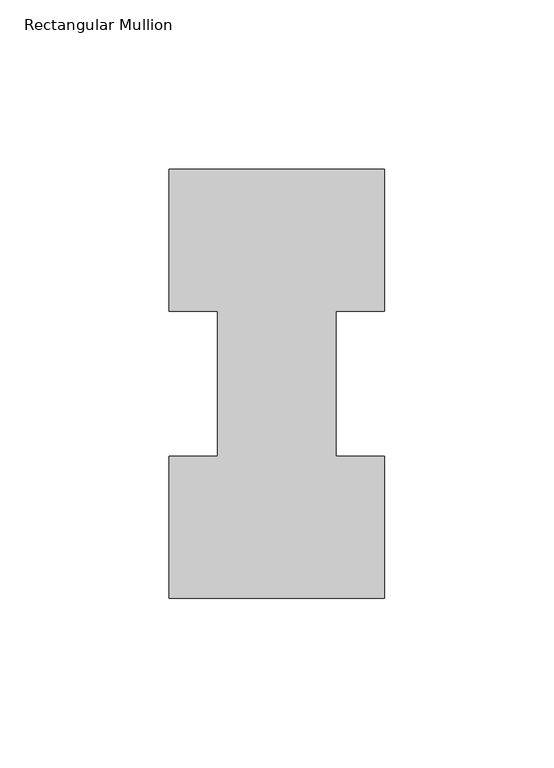
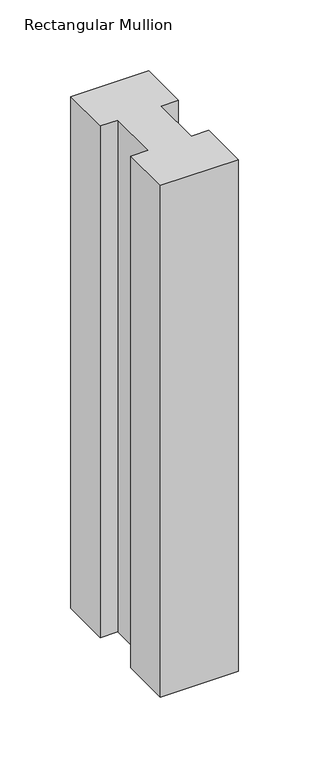
"""IFC4 building model written with IfcOpenShell, lengths in millimetres: member geometry, Rectangular Mullion."""

from ifc_helpers import new_model, si_unit, frame, origin, place, context, project, spatial, polyline, outline, extrude, source, transform, mapped, element, save


def rectangular_mullion_5ee78809(model_context):
    return source(origin(), model_context, "Body", "SweptSolid", [
        extrude(outline(polyline([(-63.5, 0.2967757), (-63.5, 42.1178757), (-49.2125, 42.1178757), (-49.2125, 84.93125), (-63.5, 84.93125), (-63.5, 126.7887757), (0.0, 126.7887757), (0.0, 84.93125), (-14.2748, 84.93125), (-14.2748, 42.1178757), (0.0, 42.1178757), (0.0, 0.2967757), (-63.5, 0.2967757)])), frame((0.0, 0.0, -441.325), z_axis=(0.0, 0.0, 1.0), x_axis=(1.0, 0.0, 0.0)), (0.0, 0.0, 1.0), 441.325),
    ])


if __name__ == "__main__":
    model = new_model("IFC4")
    model_context = context("Model", 3, world=origin())
    ifc_project = project(units=[si_unit("LENGTHUNIT", "METRE", prefix="MILLI")], contexts=[model_context])
    site = spatial("IfcSite", under=ifc_project)
    building = spatial("IfcBuilding", under=site)
    placement = place(None, origin())
    rectangular_mullion_shape = rectangular_mullion_5ee78809(model_context)
    element("IfcMember", 1, ObjectType="Rectangular Mullion", at=placement, inside=building, context=model_context, shape_type="MappedRepresentation", body=[
        mapped(rectangular_mullion_shape, transform((0.0, 0.0, 0.0), x_axis=(1.0, 0.0, 0.0), y_axis=(0.0, 1.0, 0.0), z_axis=(0.0, 0.0, 1.0))),
    ])
    save(model, "model.ifc")
